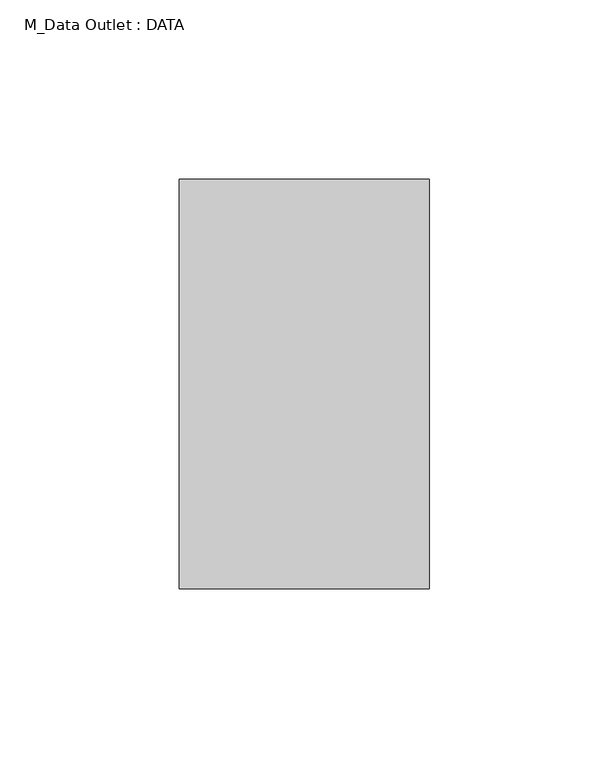
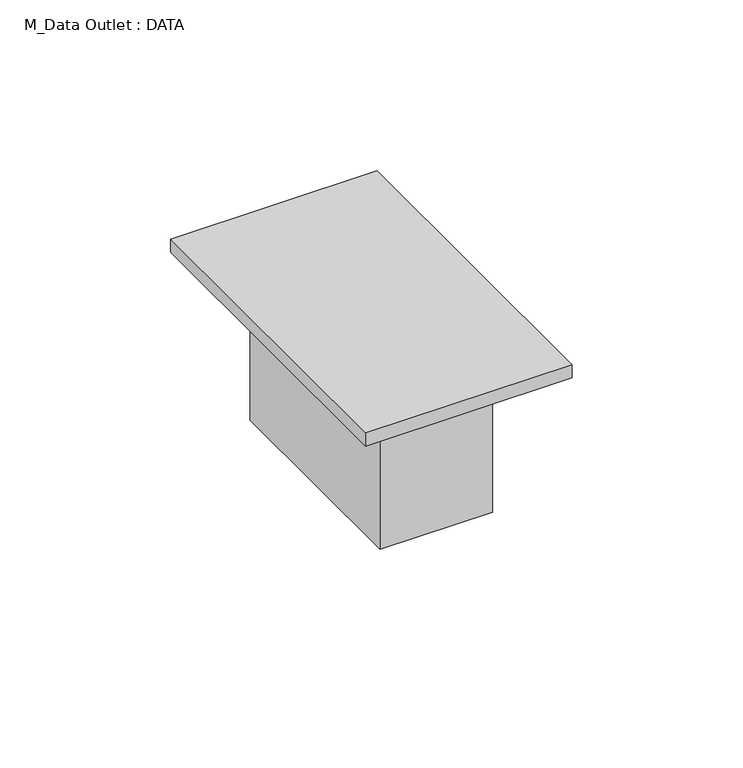
"""IFC4 building model written with IfcOpenShell, lengths in millimetres: electric appliance geometry, M_Data Outlet : DATA."""

from ifc_helpers import new_model, si_unit, frame, origin, origin_with_axes, place, context, project, spatial, polyline, outline, extrude, source, transform, mapped, element, save


def m_data_outlet_data_367a9a66(model_context):
    return source(origin(), model_context, "Body", "SweptSolid", [
        extrude(outline(polyline([(34.925, 57.15), (34.925, -57.15), (-34.925, -57.15), (-34.925, 57.15), (34.925, 57.15)])), origin_with_axes(), (0.0, 0.0, 1.0), 4.7625),
        extrude(outline(polyline([(19.05, 38.1), (19.05, -38.1), (-19.05, -38.1), (-19.05, 38.1), (19.05, 38.1)])), frame((0.0, 0.0, -53.975), z_axis=(0.0, 0.0, 1.0), x_axis=(1.0, 0.0, 0.0)), (0.0, 0.0, 1.0), 53.975),
    ])


if __name__ == "__main__":
    model = new_model("IFC4")
    model_context = context("Model", 3, world=origin())
    ifc_project = project(units=[si_unit("LENGTHUNIT", "METRE", prefix="MILLI")], contexts=[model_context])
    site = spatial("IfcSite", under=ifc_project)
    building = spatial("IfcBuilding", under=site)
    placement = place(None, origin())
    m_data_outlet_data_shape = m_data_outlet_data_367a9a66(model_context)
    element("IfcElectricAppliance", 1, ObjectType="M_Data Outlet : DATA", at=placement, inside=building, context=model_context, shape_type="MappedRepresentation", body=[
        mapped(m_data_outlet_data_shape, transform((0.0, 0.0, 0.0), x_axis=(1.0, 0.0, 0.0), y_axis=(0.0, 1.0, 0.0), z_axis=(0.0, 0.0, 1.0))),
    ])
    save(model, "model.ifc")
